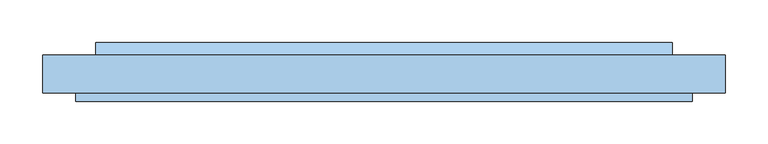
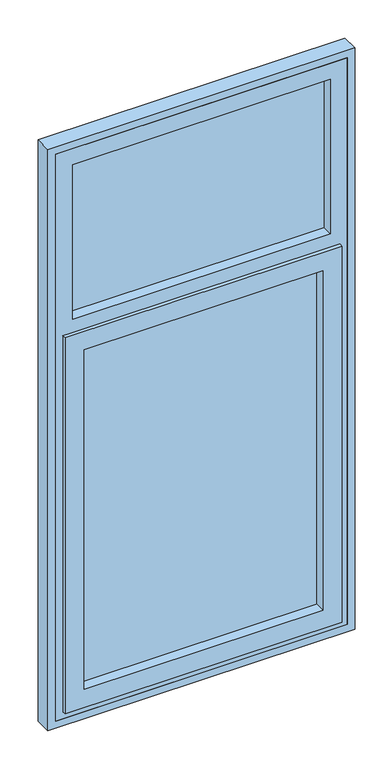
"""IFC4 building model written with IfcOpenShell, lengths in millimetres: window geometry."""

from ifc_helpers import new_model, si_unit, frame, origin, place, context, project, spatial, polyline, outline, extrude, faceted_brep, source, transform, mapped, element, save


def window_fd74602d(model_context):
    return source(origin(), model_context, "Body", "SolidModel", [
        faceted_brep([(-361.0, 46.0, 939.0), (-361.0, 56.0, 939.0), (361.0, 56.0, 939.0), (361.0, 46.0, 939.0), (-330.0, 90.0, 970.0), (-330.0, 100.0, 970.0), (330.0, 100.0, 970.0), (330.0, 90.0, 970.0), (-311.0, 100.0, 989.0), (-311.0, 46.0, 989.0), (311.0, 46.0, 989.0), (311.0, 100.0, 989.0), (361.0, 56.0, 1974.0), (361.0, 46.0, 1974.0), (330.0, 100.0, 1943.0), (330.0, 90.0, 1943.0), (311.0, 46.0, 1924.0), (311.0, 100.0, 1924.0), (-361.0, 56.0, 1974.0), (-361.0, 46.0, 1974.0), (-330.0, 100.0, 1943.0), (-330.0, 90.0, 1943.0), (-311.0, 46.0, 1924.0), (-311.0, 100.0, 1924.0), (-336.0, 90.0, 964.0), (-336.0, 90.0, 1949.0), (336.0, 90.0, 1949.0), (336.0, 90.0, 964.0), (-336.0, 56.0, 964.0), (336.0, 56.0, 964.0), (336.0, 56.0, 1949.0), (-336.0, 56.0, 1949.0)], [[[0, 1, 2, 3]], [[4, 5, 6, 7]], [[8, 9, 10, 11]], [[3, 2, 12, 13]], [[7, 6, 14, 15]], [[11, 10, 16, 17]], [[13, 12, 18, 19]], [[15, 14, 20, 21]], [[17, 16, 22, 23]], [[19, 18, 1, 0]], [[5, 20, 14, 6], [11, 17, 23, 8]], [[21, 20, 5, 4]], [[24, 25, 26, 27], [7, 15, 21, 4]], [[23, 22, 9, 8]], [[3, 13, 19, 0], [9, 22, 16, 10]], [[28, 24, 27, 29]], [[29, 27, 26, 30]], [[30, 26, 25, 31]], [[1, 18, 12, 2], [29, 30, 31, 28]], [[31, 25, 24, 28]]]),
        extrude(outline(polyline([(311.0, 74.0), (-311.0, 74.0), (-311.0, 90.0), (311.0, 90.0), (311.0, 74.0)])), frame((0.0, 0.0, 989.0), z_axis=(0.0, 0.0, 1.0), x_axis=(1.0, 0.0, 0.0)), (0.0, 0.0, 1.0), 935.0),
        extrude(outline(polyline([(115.0, 970.0), (100.0, 970.0), (100.0, 982.5), (115.0, 975.0), (115.0, 970.0)])), frame((-338.0, 0.0, 0.0), z_axis=(1.0, 0.0, 0.0), x_axis=(0.0, 1.0, 0.0)), (0.0, 0.0, 1.0), 676.0),
        extrude(outline(polyline([(336.0, 84.0), (-336.0, 84.0), (-336.0, 90.0), (336.0, 90.0), (336.0, 84.0)])), frame((0.0, 0.0, 2011.0), z_axis=(0.0, 0.0, 1.0), x_axis=(1.0, 0.0, 0.0)), (0.0, 0.0, 1.0), 425.0),
        extrude(outline(polyline([(2480.0, 380.0), (2480.0, -380.0), (920.0, -380.0), (920.0, 380.0), (2480.0, 380.0)]), holes=[polyline([(2436.0, -336.0), (2436.0, 336.0), (2011.0, 336.0), (2011.0, -336.0), (2436.0, -336.0)]), polyline([(964.0, -336.0), (1949.0, -336.0), (1949.0, 336.0), (964.0, 336.0), (964.0, -336.0)])]), frame((0.0, 56.0, 0.0), z_axis=(0.0, 1.0, 0.0), x_axis=(0.0, 0.0, 1.0)), (0.0, 0.0, 1.0), 44.0),
        extrude(outline(polyline([(2500.0, 400.0), (2500.0, -400.0), (900.0, -400.0), (900.0, 400.0), (2500.0, 400.0)]), holes=[polyline([(920.0, -380.0), (2480.0, -380.0), (2480.0, 380.0), (920.0, 380.0), (920.0, -380.0)])]), frame((0.0, 56.0, 0.0), z_axis=(0.0, 1.0, 0.0), x_axis=(0.0, 0.0, 1.0)), (0.0, 0.0, 1.0), 44.0),
    ])


if __name__ == "__main__":
    model = new_model("IFC4")
    model_context = context("Model", 3, world=origin())
    ifc_project = project(units=[si_unit("LENGTHUNIT", "METRE", prefix="MILLI")], contexts=[model_context])
    site = spatial("IfcSite", under=ifc_project)
    building = spatial("IfcBuilding", under=site)
    placement = place(None, origin())
    window_shape = window_fd74602d(model_context)
    element("IfcWindow", 1, at=placement, inside=building, context=model_context, shape_type="MappedRepresentation", body=[
        mapped(window_shape, transform((0.0, 0.0, 0.0), x_axis=(1.0, 0.0, 0.0), y_axis=(0.0, 1.0, 0.0), z_axis=(0.0, 0.0, 1.0))),
    ])
    save(model, "model.ifc")
